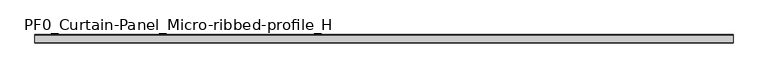
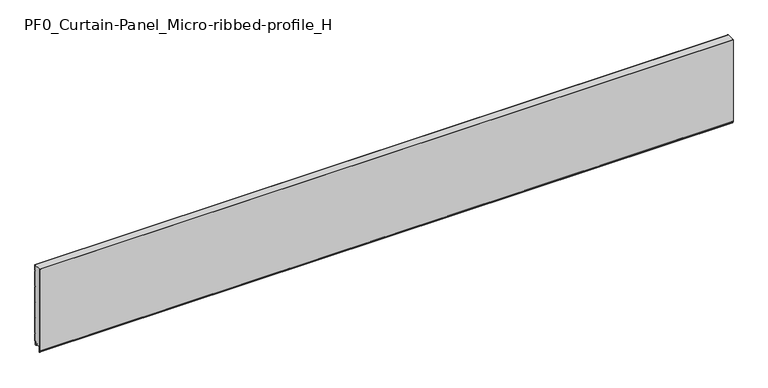
"""IFC4 building model written with IfcOpenShell, lengths in millimetres: plate geometry, PF0_Curtain-Panel_Micro-ribbed-profile_H."""

from ifc_helpers import new_model, si_unit, point, frame, frame_2d, origin, place, context, project, spatial, polyline, circle_curve, trimmed, segment, composite_curve, outline, extrude, source, transform, mapped, element, save


def pf0_curtain_panel_micro_ribbed_profile_h_6274e92f(model_context):
    return source(origin(), model_context, "Body", "SweptSolid", [
        extrude(outline(composite_curve([segment(polyline([(-15.878557, 0.0), (-20.0, 0.0), (-20.0, 0.8), (-15.878557, 0.8)]), True, "CONTINUOUS"), segment(trimmed(circle_curve(frame_2d((-15.878557, -2.0)), 2.8), [point((-15.878557, 0.8))], [point((-13.1503208, -1.370137))], False, "CARTESIAN"), True, "CONTINUOUS"), segment(polyline([(-13.1503208, -1.370137), (-11.728236, -7.529863)]), True, "CONTINUOUS"), segment(trimmed(circle_curve(frame_2d((-9.0, -6.9)), 2.8), [point((-11.728236, -7.529863))], [point((-6.2, -6.9))], True, "CARTESIAN"), True, "CONTINUOUS"), segment(polyline([(-6.2, -6.9), (-6.2, 8.6)]), True, "CONTINUOUS"), segment(trimmed(circle_curve(frame_2d((-3.4, 8.6)), 2.8), [point((-6.2, 8.6))], [point((-3.4, 11.4))], False, "CARTESIAN"), True, "CONTINUOUS"), segment(polyline([(-3.4, 11.4), (-2.0, 11.4)]), True, "CONTINUOUS"), segment(trimmed(circle_curve(frame_2d((-2.0, 12.6)), 1.2), [point((-2.0, 11.4))], [point((-0.8, 12.6))], True, "CARTESIAN"), True, "CONTINUOUS"), segment(polyline([(-0.8, 12.6), (-0.8, 57.6856412), (-2.482606, 60.6), (-0.8, 63.5143588), (-0.8, 157.6856412), (-2.482606, 160.6), (-0.8, 163.5143588), (-0.8, 257.6856412), (-2.482606, 260.6), (-0.8, 263.5143588), (-0.8, 357.6856412), (-2.482606, 360.6), (-0.8, 363.5143588), (-0.8, 457.6856412), (-2.482606, 460.6), (-0.8, 463.5143588), (-0.8, 500.0), (0.0, 500.0), (0.0, 463.2999995), (-1.5588455, 460.6), (0.0, 457.9000005), (0.0, 363.2999995), (-1.5588455, 360.6), (0.0, 357.9000005), (0.0, 263.2999995), (-1.5588455, 260.6), (0.0, 257.9000005), (0.0, 163.2999995), (-1.5588455, 160.6), (0.0, 157.9000005), (0.0, 63.2999995), (-1.5588455, 60.6), (0.0, 57.9000005), (0.0, 12.6)]), True, "CONTINUOUS"), segment(trimmed(circle_curve(frame_2d((-2.0, 12.6)), 2.0), [point((0.0, 12.6))], [point((-2.0, 10.6))], False, "CARTESIAN"), True, "CONTINUOUS"), segment(polyline([(-2.0, 10.6), (-3.4, 10.6)]), True, "CONTINUOUS"), segment(trimmed(circle_curve(frame_2d((-3.4, 8.6)), 2.0), [point((-3.4, 10.6))], [point((-5.4, 8.6))], True, "CARTESIAN"), True, "CONTINUOUS"), segment(polyline([(-5.4, 8.6), (-5.4, -6.9)]), True, "CONTINUOUS"), segment(trimmed(circle_curve(frame_2d((-9.0, -6.9)), 3.6), [point((-5.4, -6.9))], [point((-12.5077322, -7.7098239))], False, "CARTESIAN"), True, "CONTINUOUS"), segment(polyline([(-12.5077322, -7.7098239), (-13.929817, -1.5500979)]), True, "CONTINUOUS"), segment(trimmed(circle_curve(frame_2d((-15.878557, -2.0)), 2.0), [point((-13.929817, -1.5500979))], [point((-15.878557, 0.0))], True, "CARTESIAN"), True, "CONTINUOUS")], self_intersect=False)), frame((-2100.0119739, 0.0, 0.0), z_axis=(1.0, 0.0, 0.0), x_axis=(0.0, 1.0, 0.0)), (0.0, 0.0, 1.0), 4200.0239479),
        extrude(outline(composite_curve([segment(polyline([(-40.0, 0.0), (-43.5, 0.0)]), True, "CONTINUOUS"), segment(trimmed(circle_curve(frame_2d((-43.5, -2.0)), 2.0), [point((-43.5, 0.0))], [point((-45.5, -2.0))], True, "CARTESIAN"), True, "CONTINUOUS"), segment(polyline([(-45.5, -2.0), (-45.5, -33.0)]), True, "CONTINUOUS"), segment(trimmed(circle_curve(frame_2d((-46.5, -33.0)), 1.0), [point((-45.5, -33.0))], [point((-47.5, -33.0))], False, "CARTESIAN"), True, "CONTINUOUS"), segment(polyline([(-47.5, -33.0), (-47.5, -26.9)]), True, "CONTINUOUS"), segment(trimmed(circle_curve(frame_2d((-48.4, -26.9)), 0.9), [point((-47.5, -26.9))], [point((-48.4, -26.0))], True, "CARTESIAN"), True, "CONTINUOUS"), segment(trimmed(circle_curve(frame_2d((-48.4, -24.4)), 1.6), [point((-48.4, -26.0))], [point((-50.0, -24.4))], False, "CARTESIAN"), True, "CONTINUOUS"), segment(polyline([(-50.0, -24.4), (-50.0, 500.0), (-49.2, 500.0), (-49.2, -24.4)]), True, "CONTINUOUS"), segment(trimmed(circle_curve(frame_2d((-48.4, -24.4)), 0.8), [point((-49.2, -24.4))], [point((-48.4, -25.2))], True, "CARTESIAN"), True, "CONTINUOUS"), segment(trimmed(circle_curve(frame_2d((-48.6133333, -26.9)), 1.7133333), [point((-48.4, -25.2))], [point((-46.9, -26.9))], False, "CARTESIAN"), True, "CONTINUOUS"), segment(polyline([(-46.9, -26.9), (-46.9, -32.8700312)]), True, "CONTINUOUS"), segment(trimmed(circle_curve(frame_2d((-46.6, -32.8700312)), 0.3), [point((-46.9, -32.8700312))], [point((-46.3, -32.8700312))], True, "CARTESIAN"), True, "CONTINUOUS"), segment(polyline([(-46.3, -32.8700312), (-46.3, -2.0)]), True, "CONTINUOUS"), segment(trimmed(circle_curve(frame_2d((-43.5, -2.0)), 2.8), [point((-46.3, -2.0))], [point((-43.5, 0.8))], False, "CARTESIAN"), True, "CONTINUOUS"), segment(polyline([(-43.5, 0.8), (-40.0, 0.8), (-40.0, 0.0)]), True, "CONTINUOUS")], self_intersect=False)), frame((-2100.0119739, 0.0, 0.0), z_axis=(1.0, 0.0, 0.0), x_axis=(0.0, 1.0, 0.0)), (0.0, 0.0, 1.0), 4200.0239479),
        extrude(outline(composite_curve([segment(polyline([(-40.0, 0.8), (-43.5, 0.8)]), True, "CONTINUOUS"), segment(trimmed(circle_curve(frame_2d((-43.5, -2.0)), 2.8), [point((-43.5, 0.8))], [point((-46.3, -2.0))], True, "CARTESIAN"), True, "CONTINUOUS"), segment(polyline([(-46.3, -2.0), (-46.3, -32.8700312)]), True, "CONTINUOUS"), segment(trimmed(circle_curve(frame_2d((-46.6, -32.8700312)), 0.3), [point((-46.3, -32.8700312))], [point((-46.9, -32.8700312))], False, "CARTESIAN"), True, "CONTINUOUS"), segment(polyline([(-46.9, -32.8700312), (-46.9, -26.9)]), True, "CONTINUOUS"), segment(trimmed(circle_curve(frame_2d((-48.6133333, -26.9)), 1.7133333), [point((-46.9, -26.9))], [point((-48.4, -25.2))], True, "CARTESIAN"), True, "CONTINUOUS"), segment(trimmed(circle_curve(frame_2d((-48.4, -24.4)), 0.8), [point((-48.4, -25.2))], [point((-49.2, -24.4))], False, "CARTESIAN"), True, "CONTINUOUS"), segment(polyline([(-49.2, -24.4), (-49.2, 500.0), (-0.8, 500.0), (-0.8, 463.5143588), (-2.482606, 460.6), (-0.8, 457.6856412), (-0.8, 363.5143588), (-2.482606, 360.6), (-0.8, 357.6856412), (-0.8, 263.5143588), (-2.482606, 260.6), (-0.8, 257.6856412), (-0.8, 163.5143588), (-2.482606, 160.6), (-0.8, 157.6856412), (-0.8, 63.5143588), (-2.482606, 60.6), (-0.8, 57.6856412), (-0.8, 12.6)]), True, "CONTINUOUS"), segment(trimmed(circle_curve(frame_2d((-2.0, 12.6)), 1.2), [point((-0.8, 12.6))], [point((-2.0, 11.4))], False, "CARTESIAN"), True, "CONTINUOUS"), segment(polyline([(-2.0, 11.4), (-3.4, 11.4)]), True, "CONTINUOUS"), segment(trimmed(circle_curve(frame_2d((-3.4, 8.6)), 2.8), [point((-3.4, 11.4))], [point((-6.2, 8.6))], True, "CARTESIAN"), True, "CONTINUOUS"), segment(polyline([(-6.2, 8.6), (-6.2, -6.9)]), True, "CONTINUOUS"), segment(trimmed(circle_curve(frame_2d((-9.0, -6.9)), 2.8), [point((-6.2, -6.9))], [point((-11.7282362, -7.529863))], False, "CARTESIAN"), True, "CONTINUOUS"), segment(polyline([(-11.7282362, -7.529863), (-13.1503208, -1.370137)]), True, "CONTINUOUS"), segment(trimmed(circle_curve(frame_2d((-15.878557, -2.0)), 2.8), [point((-13.1503208, -1.370137))], [point((-15.878557, 0.8))], True, "CARTESIAN"), True, "CONTINUOUS"), segment(polyline([(-15.878557, 0.8), (-20.0, 0.8), (-20.0, 0.0), (-40.0, 0.0), (-40.0, 0.8)]), True, "CONTINUOUS")], self_intersect=False)), frame((-2100.0119739, 0.0, 0.0), z_axis=(1.0, 0.0, 0.0), x_axis=(0.0, 1.0, 0.0)), (0.0, 0.0, 1.0), 4200.0239479),
    ])


if __name__ == "__main__":
    model = new_model("IFC4")
    model_context = context("Model", 3, world=origin())
    ifc_project = project(units=[si_unit("LENGTHUNIT", "METRE", prefix="MILLI")], contexts=[model_context])
    site = spatial("IfcSite", under=ifc_project)
    building = spatial("IfcBuilding", under=site)
    placement = place(None, origin())
    pf0_curtain_panel_micro_ribbed_profile_h_shape = pf0_curtain_panel_micro_ribbed_profile_h_6274e92f(model_context)
    element("IfcPlate", 1, ObjectType="PF0_Curtain-Panel_Micro-ribbed-profile_H", at=placement, inside=building, context=model_context, shape_type="MappedRepresentation", body=[
        mapped(pf0_curtain_panel_micro_ribbed_profile_h_shape, transform((0.0, 0.0, 0.0), x_axis=(1.0, 0.0, 0.0), y_axis=(0.0, 1.0, 0.0), z_axis=(0.0, 0.0, 1.0))),
    ])
    save(model, "model.ifc")
